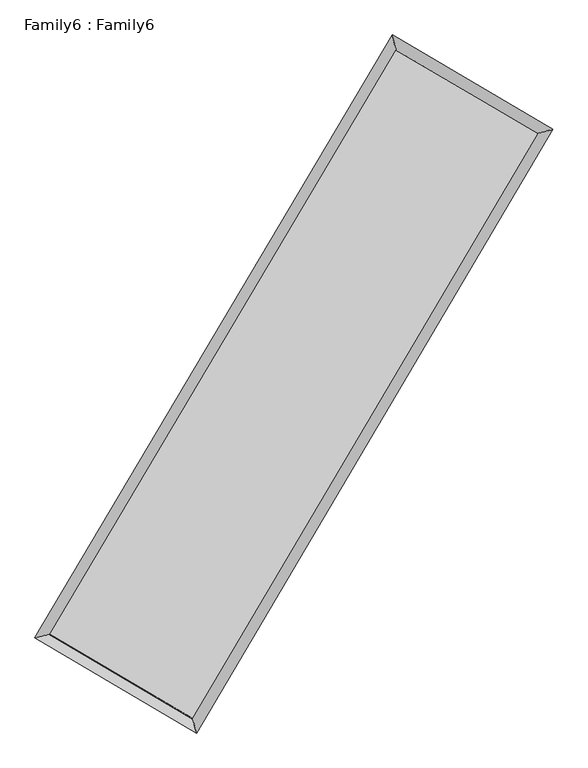
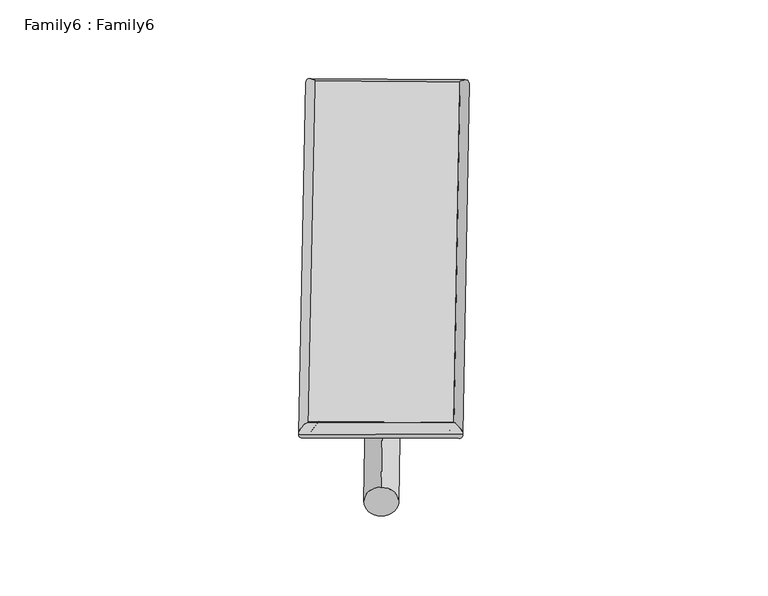
"""IFC4 building model written with IfcOpenShell, lengths in millimetres: plate geometry, Family6 : Family6."""

from ifc_helpers import new_model, si_unit, point, frame, origin, origin_2d, place, context, project, spatial, circle_curve, ellipse_curve, trimmed, segment, composite_curve, outline, extrude, source, transform, mapped, element, save
from ifc_brep_helpers import plane_surface, cylinder_surface, spline_surface, advanced_brep


def family6_family6_5be7c173(model_context):
    return source(origin(), model_context, "Body", "SolidModel", [
        extrude(outline(composite_curve([segment(trimmed(circle_curve(origin_2d(), 76.2), [point((-75.4341514, -10.7763074))], [point((75.4341514, 10.7763074))], False, "CARTESIAN"), True, "CONTINUOUS"), segment(trimmed(circle_curve(origin_2d(), 76.2), [point((75.4341514, 10.7763074))], [point((-75.4341514, -10.7763074))], False, "CARTESIAN"), True, "CONTINUOUS")], self_intersect=False)), frame((9144.0, 9144.0, 0.0), z_axis=(0.6726881576088688, 0.6879733307928099, 0.27236618499849224), x_axis=(-0.6798996911231607, 0.7199492890970925, -0.13931773447491075)), (0.0, 0.0, 1.0), 5570.2963542),
        extrude(outline(composite_curve([segment(trimmed(circle_curve(origin_2d(), 76.2), [point((-53.8815368, 53.8815367))], [point((53.8815368, -53.8815367))], False, "CARTESIAN"), True, "CONTINUOUS"), segment(trimmed(circle_curve(origin_2d(), 76.2), [point((53.8815368, -53.8815367))], [point((-53.8815368, 53.8815367))], False, "CARTESIAN"), True, "CONTINUOUS")], self_intersect=False)), frame((9144.0, 9144.0, 0.0), z_axis=(-0.6736692996789826, -0.6870221052604368, 0.2723422507683054), x_axis=(0.6408086706923106, -0.35944893396923755, 0.6783514660070636)), (0.0, 0.0, 1.0), 5571.0155327),
        extrude(outline(composite_curve([segment(trimmed(circle_curve(origin_2d(), 76.2), [point((-53.8815367, -53.8815367))], [point((53.8815367, 53.8815367))], False, "CARTESIAN"), True, "CONTINUOUS"), segment(trimmed(circle_curve(origin_2d(), 76.2), [point((53.8815367, 53.8815367))], [point((-53.8815367, -53.8815367))], False, "CARTESIAN"), True, "CONTINUOUS")], self_intersect=False)), frame((9144.0, 9144.0, 0.0), z_axis=(0.27917472094675333, 0.9201760238758252, 0.27447688476150256), x_axis=(-0.8390874743115859, 0.3727579837402346, -0.3962116808113042)), (0.0, 0.0, 1.0), 5565.2220261),
        extrude(outline(composite_curve([segment(trimmed(circle_curve(origin_2d(), 76.2), [point((-75.4341514, 10.7763073))], [point((75.4341514, -10.7763073))], False, "CARTESIAN"), True, "CONTINUOUS"), segment(trimmed(circle_curve(origin_2d(), 76.2), [point((75.4341514, -10.7763073))], [point((-75.4341514, 10.7763073))], False, "CARTESIAN"), True, "CONTINUOUS")], self_intersect=False)), frame((9144.0, 9144.0, 0.0), z_axis=(-0.27793241694811455, -0.9205895401478594, 0.27435099813875713), x_axis=(0.8773676942795705, -0.1269883751420998, 0.46270928412267615)), (0.0, 0.0, 1.0), 5567.942563),
        advanced_brep(
        [(5181.9141867, 5262.8250704, 1518.0509069), (5600.0452341, 5370.3584071, 1518.262275), (5600.0415485, 5370.3532902, 1516.3949115), (10751.328091, 14056.6968823, 1526.3951191), (10644.0105213, 14473.2708697, 1528.6544904), (5181.9105011, 5262.8199535, 1516.1835435), (12682.131368, 12922.2229974, 1517.2715385), (13100.0134157, 13030.2076752, 1517.0491961), (7542.6992287, 4226.7224994, 1527.3767105), (7650.2773034, 3809.6981334, 1527.764489)],
        [
            (0, 1, ellipse_curve(frame((5390.9778676, 5316.5891803, 1517.2229092), z_axis=(-0.24906968413753133, 0.9684831528233924, -0.0021622074119393144), x_axis=(-0.9684773886447117, -0.24907613496054004, -0.0035534035851473426)), 215.8736862, 152.4)),
            (1, 2, ellipse_curve(frame((5390.9778676, 5316.5891803, 1517.2229092), z_axis=(-0.24906968413753133, 0.9684831528233924, -0.0021622074119393144), x_axis=(-0.9684773886447117, -0.24907613496054004, -0.0035534035851473426)), 215.8736862, 152.4)),
            (2, 3),
            (3, 4, ellipse_curve(frame((10697.6693062, 14264.983876, 1527.5248047), z_axis=(-0.968376369812728, -0.24948440957818663, 0.0021761814598503914), x_axis=(0.2494758324206652, -0.9683743767387537, -0.0035882466256749452)), 215.0910044, 152.4)),
            (4, 0),
            (2, 5, ellipse_curve(frame((5390.9778676, 5316.5891803, 1517.2229092), z_axis=(-0.24906968413753133, 0.9684831528233924, -0.0021622074119393144), x_axis=(-0.9684773886447117, -0.24907613496054004, -0.0035534035851473426)), 215.8736862, 152.4)),
            (5, 0, ellipse_curve(frame((5390.9778676, 5316.5891803, 1517.2229092), z_axis=(-0.24906968413753133, 0.9684831528233924, -0.0021622074119393144), x_axis=(-0.9684773886447117, -0.24907613496054004, -0.0035534035851473426)), 215.8736862, 152.4)),
            (4, 3, ellipse_curve(frame((10697.6693062, 14264.983876, 1527.5248047), z_axis=(-0.968376369812728, -0.24948440957818663, 0.0021761814598503914), x_axis=(0.2494758324206652, -0.9683743767387537, -0.0035882466256749452)), 215.0910044, 152.4)),
            (3, 6),
            (6, 7, ellipse_curve(frame((12891.0723919, 12976.2153363, 1517.1603673), z_axis=(-0.2501894561484283, 0.9681944537510013, 0.0021761796694868517), x_axis=(-0.9681885784217384, -0.25019599257171266, 0.0035835617405648)), 215.8054152, 152.4)),
            (7, 4),
            (7, 6, ellipse_curve(frame((12891.0723919, 12976.2153363, 1517.1603673), z_axis=(-0.2501894561484283, 0.9681944537510013, 0.0021761796694868517), x_axis=(-0.9681885784217384, -0.25019599257171266, 0.0035835617405648)), 215.8054152, 152.4)),
            (6, 8),
            (8, 9, ellipse_curve(frame((7596.488266, 4018.2103164, 1527.5705997), z_axis=(0.9682976978861294, 0.2497898062746609, 0.002149639432378881), x_axis=(-0.24978136233585202, 0.968295683221303, -0.0035694375797256273)), 215.3391692, 152.4)),
            (9, 7),
            (9, 8, ellipse_curve(frame((7596.488266, 4018.2103164, 1527.5705997), z_axis=(0.9682976978861294, 0.2497898062746609, 0.002149639432378881), x_axis=(-0.24978136233585202, 0.968295683221303, -0.0035694375797256273)), 215.3391692, 152.4)),
            (8, 1),
            (5, 9),
        ],
        [
            cylinder_surface(frame((5390.9778676, 5316.5891803, 1517.2229092), z_axis=(-0.5100823316977164, -0.8601250108825064, -0.000990224312739674), x_axis=(-0.8601109172498979, 0.5100665752590234, 0.006426416658663187)), 152.4),
            cylinder_surface(frame((10697.6693062, 14264.983876, 1527.5248047), z_axis=(-0.86217922960191, 0.506586989840248, 0.004074035794367535), x_axis=(0.5066001277823072, 0.8621746075933792, 0.003355078561320918)), 152.4),
            cylinder_surface(frame((12891.0723919, 12976.2153363, 1517.1603673), z_axis=(0.5088157787225123, 0.8608748471477066, -0.0010004356132022195), x_axis=(0.8608753849976419, -0.5088157787225123, 0.0002735473728249121)), 152.4),
            cylinder_surface(frame((7596.488266, 4018.2103164, 1527.5705997), z_axis=(0.8617529825288751, -0.5073119851203859, 0.0040431245098137775), x_axis=(-0.5073045641172941, -0.8617624036957812, -0.002763838315097551)), 152.4),
        ],
        [
            (0, [[1, 2, 3, 4, 5]]),
            (0, [[6, 7, -5, 8, -3]]),
            (1, [[-4, 9, 10, 11]]),
            (1, [[-8, -11, 12, -9]]),
            (2, [[-10, 13, 14, 15]]),
            (2, [[-12, -15, 16, -13]]),
            (3, [[-14, 17, -1, -7, 18]]),
            (3, [[-16, -18, -6, -2, -17]]),
        ],
    ),
        extrude(outline(composite_curve([segment(trimmed(circle_curve(origin_2d(), 304.8), [point((0.0, -304.8))], [point((0.0, 304.8))], False, "CARTESIAN"), True, "CONTINUOUS"), segment(trimmed(circle_curve(origin_2d(), 304.8), [point((0.0, 304.8))], [point((0.0, -304.8))], False, "CARTESIAN"), True, "CONTINUOUS")], self_intersect=False)), frame((6487.6905751, 4645.0331158, -0.0002424), z_axis=(0.5084212883048552, 0.8611084679634903, 4.640160150553133e-08), x_axis=(-0.8611084679634914, 0.5084212883048552, 1.2676081175787513e-08)), (0.0, 0.0, 1.0), 10449.245482),
        advanced_brep(
        [(5390.9778676, 5316.5891803, 1517.2229092), (7596.488266, 4018.2103164, 1527.5705997), (7596.4875094, 4018.2117046, 1679.9705997), (5390.9771109, 5316.5905685, 1669.6229092), (12891.0723919, 12976.2153363, 1517.1603673), (12891.0716352, 12976.2167245, 1669.5603673), (10697.6693062, 14264.983876, 1527.5248047), (10697.6685495, 14264.9852642, 1679.9248047)],
        [
            (0, 1),
            (1, 2),
            (2, 3),
            (3, 0),
            (1, 4),
            (4, 5),
            (5, 2),
            (4, 6),
            (6, 7),
            (7, 5),
            (6, 0),
            (3, 7),
        ],
        [
            plane_surface(frame((6493.7330668, 4667.3997483, 1522.3967545), z_axis=(-0.5073161502160216, -0.861760015144342, 5.330895420526576e-06), x_axis=(0.8617529825288752, -0.5073119851203854, 0.004043124509813778))),
            plane_surface(frame((10243.7803289, 8497.2128263, 1522.3654835), z_axis=(0.8608752824615146, -0.508816025659013, 8.909230584662616e-06), x_axis=(0.508815778722512, 0.8608748471477068, -0.0010004356132022202))),
            plane_surface(frame((11794.370849, 13620.5996062, 1522.342586), z_axis=(0.506591175240312, 0.8621863958217745, -5.338378966846533e-06), x_axis=(-0.86217922960191, 0.506586989840248, 0.004074035794367534))),
            plane_surface(frame((8044.3235869, 9790.7865282, 1522.373857), z_axis=(-0.8601254280399441, 0.5100825893515574, -8.917044609130513e-06), x_axis=(-0.5100823316977162, -0.8601250108825063, -0.0009902243127396751))),
            spline_surface(1, 1, [[(7596.4875094, 4018.2117046, 1679.9705997), (5390.9771109, 5316.5905685, 1669.6229092)], [(12891.0716352, 12976.2167245, 1669.5603673), (10697.6685495, 14264.9852642, 1679.9248047)]], [2, 2], [2, 2], [0.0, 1.0], [0.0, 1.0]),
            spline_surface(1, 1, [[(10697.6693062, 14264.983876, 1527.5248047), (5390.9778676, 5316.5891803, 1517.2229092)], [(12891.0723919, 12976.2153363, 1517.1603673), (7596.488266, 4018.2103164, 1527.5705997)]], [2, 2], [2, 2], [0.0, 1.0], [0.0, 1.0]),
        ],
        [
            (0, [[1, 2, 3, 4]]),
            (1, [[5, 6, 7, -2]]),
            (2, [[8, 9, 10, -6]]),
            (3, [[11, -4, 12, -9]]),
            (4, [[-3, -7, -10, -12]]),
            (5, [[-11, -8, -5, -1]]),
        ],
    ),
    ])


if __name__ == "__main__":
    model = new_model("IFC4")
    model_context = context("Model", 3, world=origin())
    ifc_project = project(units=[si_unit("LENGTHUNIT", "METRE", prefix="MILLI")], contexts=[model_context])
    site = spatial("IfcSite", under=ifc_project)
    building = spatial("IfcBuilding", under=site)
    placement = place(None, origin())
    family6_family6_shape = family6_family6_5be7c173(model_context)
    element("IfcPlate", 1, ObjectType="Family6 : Family6", at=placement, inside=building, context=model_context, shape_type="MappedRepresentation", body=[
        mapped(family6_family6_shape, transform((0.0, 0.0, 0.0), x_axis=(1.0, 0.0, 0.0), y_axis=(0.0, 1.0, 0.0), z_axis=(0.0, 0.0, 1.0))),
    ])
    save(model, "model.ifc")
